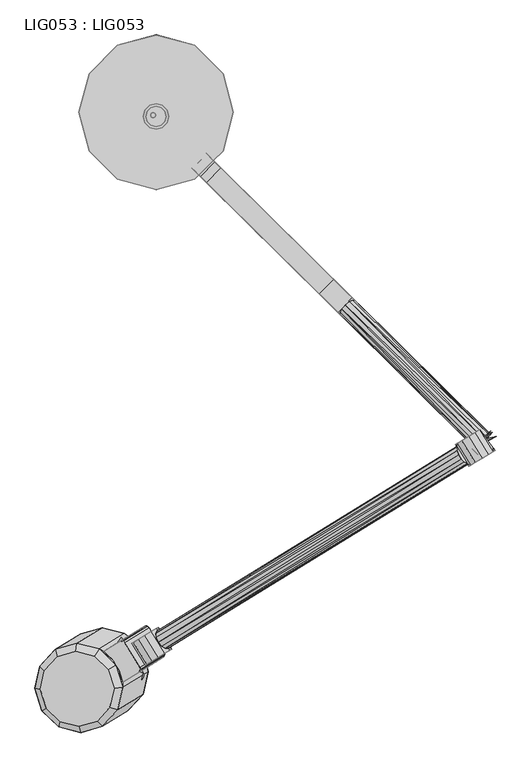
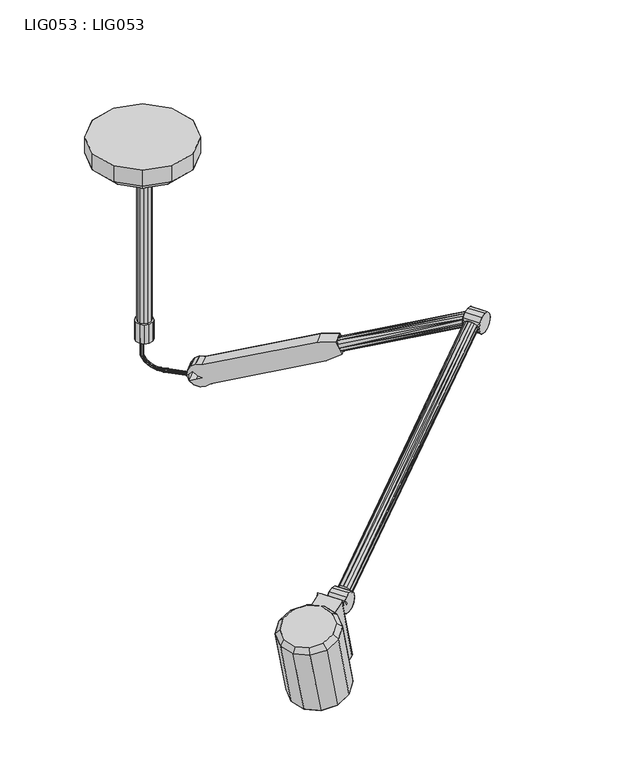
"""IFC4 building model written with IfcOpenShell, lengths in millimetres: proxy geometry, LIG053 : LIG053."""

from ifc_helpers import new_model, si_unit, origin, place, context, project, spatial, triangles, source, transform, mapped, element, save


def lig053_lig053_d3790e3a(model_context):
    return source(origin(), model_context, "Body", "Tessellation", [
        triangles([(-87.2400039, -1152.7100288, -800.1), (-211.1199969, -1154.1499846, -829.4000284), (-183.7800051, -1180.4799908, -826.7799849), (-222.2799989, -1117.8700043, -826.7799849), (-166.8300041, -1083.7800066, -1062.9700012), (-98.4699962, -1010.1699648, -1036.2999722), (-155.6700022, -1120.0599869, -1065.5899721), (-56.8099982, -1145.5600292, -1046.0599869), (-92.1499967, -1155.7299753, -1055.8300301), (-23.7799989, -1082.1200062, -1029.160001), (-31.7900001, -1118.6200312, -1036.2999722), (-34.9400009, -1045.8400259, -1026.5400301), (-62.2699983, -1019.4999912, -1029.160001), (-133.7999981, -1020.3399836, -1046.0599869), (-158.8300019, -1047.2700258, -1055.8300301), (-128.3300013, -1146.3899931, -1062.9700012), (-170.3400006, -1129.0800032, -1055.8099731), (-137.7999992, -1160.4299791, -1052.6999886), (-186.9099921, -1190.6199968, -843.4999672), (-219.4499936, -1159.2700209, -846.6100245), (-183.620004, -1085.8899796, -1052.6999886), (-232.7400072, -1116.0799973, -843.4999672), (-223.209993, -1072.6200047, -834.9900215), (-174.1000001, -1042.429987, -1044.1899702), (-21.8099997, -1051.7999819, -1006.1999926), (-26.6200009, -1040.7199896, -1009.3200056), (-34.3399989, -1031.4199759, -1006.1999926), (-13.3299997, -1083.9100132, -1012.4299902), (-143.83, -1201.7300018, -834.9900215), (-94.7199979, -1171.5399841, -1044.1899702), (-15.0699996, -1074.6999649, -1007.9299742), (-59.1499989, -1009.3700136, -1012.4299902), (-51.7299985, -1015.0700291, -1007.9299742), (-144.3000022, -1010.3599968, -1032.5699673), (-102.2299956, -998.2499802, -1020.9400085), (-22.8599992, -1127.3599773, -1020.9400085), (-52.6500004, -1159.439996, -1032.5699673), (18.33, -1045.9600041, -995.9299799), (16.2399999, -1055.4600056, -997.7999966), (-20.4200001, -995.8199686, -997.7999966), (-17.0599989, -994.9799763, -996.890023), (-11.0000002, -998.2499802, -995.9299799), (-13.6599998, -995.8600098, -996.2099773), (18.5100001, -1052.8400347, -996.890023), (19.2599998, -1049.399983, -996.2099773), (-29.200001, -1075.1800228, -793.4799826), (-81.870001, -1060.6399946, -803.7499952), (-69.3300007, -1081.0200007, -803.7499952), (-31.2899988, -1084.6800243, -795.3399708), (-6.7699998, -1005.4100082, -852.0899952), (-19.5499996, -1013.2699936, -856.110026), (-19.5499996, -1013.2699936, -796.1099819), (6.01, -997.5599787, -826.1099676), (2.5900001, -999.6599959, -841.1099968), (-6.7699998, -1005.4100082, -800.1300127), (-41.6799987, -1026.8799913, -841.1099968), (-45.099998, -1028.9800085, -826.1099676), (-32.3200004, -1021.129979, -852.0899952), (28.7700002, -1042.2600119, -841.1099968), (32.2000007, -1040.1499662, -826.1099676), (19.4199998, -1048.0100243, -852.0899952), (-15.4900003, -1069.4699789, -841.1099968), (-6.1399998, -1063.7199665, -852.0899952), (-6.1399998, -1063.7199665, -800.1300127), (-18.9200008, -1071.5800245, -826.1099676), (6.64, -1055.8599812, -856.110026), (10.64, -1003.4299692, -819.2699781), (17.69, -1007.690029, -825.5400169), (28.7799992, -1032.9400139, -819.2699781), (25.8099997, -1037.9200152, -810.6899786), (28.1599993, -1024.7299772, -825.5400169), (24.1000001, -1015.4899889, -827.8400219), (607.3400016, -677.1299734, -412.3399838), (606.9299975, -679.7599728, -407.8599884), (592.6899874, -649.4700338, -415.9000136), (589.3000053, -647.7899765, -412.3399838), (603.1400036, -659.5099733, -420.3999933), (606.7999909, -668.8700125, -418.4199906), (606.4500123, -680.9300322, -402.8000138), (607.3700143, -673.3499716, -415.9000136), (596.4299844, -651.9999666, -418.4199906), (586.7699999, -646.9699684, -407.8599884), (4.8600001, -1003.8399733, -810.6899786), (585.4999829, -646.8699745, -402.8000138), (593.7800008, -670.6900322, -382.6900131), (599.9500093, -676.6199755, -386.2799829), (586.4199849, -654.6200102, -386.2799829), (588.920014, -662.8000341, -382.6900131), (615.7900308, -651.649988, -399.3799828), (618.6500307, -654.4799751, -414.3800119), (626.4600191, -662.1999981, -373.3999915), (618.6500307, -654.4799751, -384.3799899), (586.1399875, -640.6099642, -414.3800119), (582.7199927, -642.7099814, -399.3799828), (595.4899981, -634.8600245, -425.3600103), (656.5900114, -655.9899847, -414.3800119), (660.0200346, -653.8800118, -399.3799828), (647.2400007, -661.7399971, -425.3600103), (608.9000081, -685.3099974, -399.3799828), (612.329995, -683.2000244, -414.3800119), (621.6800056, -677.450012, -373.3999915), (650.9700056, -616.1100061, -399.3799828), (647.450017, -619.6900202, -400.6400076), (646.5999962, -622.5700043, -390.1700071), (645.0000212, -630.8200094, -417.5200092), (661.6299654, -626.6600163, -425.3600103), (642.4799715, -635.4000351, -419.2700114), (626.1899774, -647.1299877, -414.7199985), (630.4299803, -645.5399685, -417.5200092), (656.5900114, -655.9899847, -384.3799899), (654.7800201, -648.1100151, -390.1700071), (630.3999676, -613.3899687, -384.3799899), (586.8100047, -647.9199831, -392.6899841), (621.6800056, -677.450012, -425.3600103), (606.0999973, -679.290016, -392.6899841), (622.200032, -647.2299816, -390.1700071), (626.4600191, -662.1999981, -425.3600103), (634.4599668, -669.5900267, -429.3800048), (608.2699957, -626.9999664, -429.3800048), (621.0500296, -619.1399811, -425.3600103), (647.1500353, -644.5999823, -417.5200092), (647.6199921, -620.4999998, -405.8699936), (656.5499702, -649.590012, -405.8699936), (647.3899916, -622.8999987, -410.7599931), (653.819977, -618.9399933, -414.3800119), (650.9099802, -647.1200319, -414.7199985), (654.2599937, -648.8000166, -410.7599931), (646.5499992, -626.5600224, -414.7199985), (639.1099737, -639.5499998, -419.8399984), (640.0599884, -636.8099781, -419.8399984), (634.9900217, -642.9699946, -419.2700114), (622.5399822, -648.019977, -410.7599931), (620.1399834, -648.2700344, -405.8699936), (619.3300037, -648.0999867, -400.6400076), (624.4400116, -641.6099758, -384.4299869), (641.0100031, -624.8599808, -384.4299869), (628.8800022, -635.2900127, -381.2899896), (634.7399643, -629.3700253, -381.2899896), (368.7399942, -371.9700027, -532.9700117), (364.6600107, -392.3000117, -560.7099973), (360.0699929, -391.5300006, -551.4700089), (371.7899897, -389.0599842, -567.4899977), (379.5500175, -382.6600115, -569.9600141), (388.2099904, -363.1000136, -551.4700089), (389.0299985, -367.6800029, -560.7099973), (385.8599885, -374.8499868, -567.4899977), (144.2199959, -121.6299961, -725.0199898), (104.0800042, -81.9100005, -724.6000299), (99.6800002, -77.5500013, -709.5399754), (128.0100024, -105.5800037, -669.5299902), (100.6000022, -78.4600021, -693.3200352), (106.6400041, -84.4299956, -679.4299673), (112.8499994, -90.5800018, -735.2200212), (335.3099853, -367.0300062, -598.2199897), (116.0799984, -150.0600013, -725.0199898), (75.9499988, -110.3399966, -724.6000299), (84.7100019, -119.0099979, -735.2200212), (72.4600002, -106.8899983, -693.3200352), (71.5499994, -105.9799975, -709.5399754), (99.8699959, -134.0099999, -669.5299902), (78.4999976, -112.8600009, -679.4299673), (86.1300006, -92.279998, -713.009967), (89.9000012, -89.6900034, -715.8199699), (83.5800018, -96.0800022, -715.8199699), (83.8499981, -95.2799965, -714.6799959), (84.4000008, -94.33, -713.7799782), (85.1899962, -93.3100041, -713.2100275), (87.1599977, -91.3200002, -713.2100275), (88.1700014, -90.5200036, -713.7900066), (89.1099968, -89.9599997, -714.6799959), (365.4799825, -396.8800011, -569.9600141), (393.6099878, -368.450014, -569.9600141), (376.4899936, -365.5699936, -535.4499839), (383.6300011, -362.3300024, -542.2199922), (382.809993, -357.7600052, -532.9700117), (88.9300023, -90.6799957, -721.9200336), (89.9100024, -89.6900034, -720.1800236), (83.5700006, -96.0900034, -720.1599667), (84.5399995, -95.1100033, -721.9100052), (85.9499971, -93.6900045, -722.8800041), (87.5199957, -92.1000035, -722.8800041), (83.2299959, -96.4400002, -717.9899683), (90.2599992, -89.3299963, -717.9999968), (-2.2500001, 1.29, -680.4700201), (-2.2500001, 1.29, -629.9999903), (0.0, 0.0, -629.9999903), (0.0, 0.0, -679.9999907), (-4.8399997, 1.27, -680.8099703), (-4.8399997, 1.27, -629.9999903), (-7.0700002, -0.0300001, -680.9300211), (-7.0700002, -0.0300001, -629.9999903), (-8.3399995, -4.8700002, -629.9999903), (-8.3599997, -2.28, -629.9999903), (-8.3599997, -2.28, -680.8099703), (-8.3399995, -4.8700002, -680.4700201), (-4.7899999, -8.3900002, -629.9999903), (-7.04, -7.1000001, -629.9999903), (-7.04, -7.1000001, -679.9999907), (-4.7899999, -8.3900002, -679.5300339), (0.0300001, -7.0699999, -629.9999903), (-2.2, -8.37, -629.9999903), (-2.2, -8.37, -679.190011), (0.0300001, -7.0699999, -679.0700329), (1.3200001, -4.8199998, -679.190011), (1.3200001, -4.8199998, -629.9999903), (1.3000001, -2.2299999, -679.5300339), (1.3000001, -2.2299999, -629.9999903), (-0.9799999, -9.5799995, -698.9600252), (0.32, -7.4300002, -699.2900196), (0.0100001, -14.0799997, -696.7799984), (-1.0900001, -12.1399995, -697.9900263), (1.9900001, -15.1400004, -695.579999), (4.5300001, -14.9800004, -694.6299843), (6.64, -13.65, -694.3100183), (7.9700003, -11.5299997, -694.6200285), (8.1200003, -8.9599997, -695.5699705), (2.4300001, -6.0600001, -698.9800095), (5.0100001, -5.88, -698.0299948), (16.1000001, -16.8599989, -711.6099798), (13.8199998, -17.3300011, -713.0699924), (16.6200004, -23.5200008, -705.9300213), (18.0300001, -21.4900011, -706.3999781), (43.7299996, -43.8100005, -716.0900116), (25.8200009, -25.5500004, -715.0299746), (30.7300005, -31.3500007, -714.580002), (10.1499999, -10.0499995, -701.5299992), (11.8000002, -18.7900001, -713.5299934), (10.4, -20.8399999, -713.030024), (9.9899999, -23.1000001, -711.5500271), (10.7400001, -24.7, -709.7100231), (14.5899996, -24.9399995, -706.420035), (43.8699983, -43.9499992, -719.9099819), (43.159999, -44.7799994, -721.5399696), (29.3299997, -29.960001, -719.2100246), (27.4299998, -30.8000002, -721.0000317), (25.520001, -32.38, -721.5699823), (23.9999993, -34.3, -720.9500347), (40.7300011, -47.3500006, -723.0100107), (39.3700005, -48.7, -722.6199909), (23.2099994, -36.1899987, -719.1399708), (38.18, -49.8100022, -721.5399696), (37.3699999, -50.5200015, -719.9099819), (23.4800002, -37.3000009, -716.8600227), (24.6100003, -37.5300014, -714.5900305), (12.3499996, -25.3899993, -707.8599907), (37.2299989, -50.3799983, -716.0900116), (37.9299994, -49.549998, -714.4699797), (26.480001, -36.7099978, -712.8200077), (28.3800009, -35.1599993, -712.2100159), (29.9200005, -33.2500005, -712.8000235), (40.3600018, -46.9800014, -713.009967), (41.7199979, -45.6399987, -713.3900311), (42.8999994, -44.530001, -714.4699797), (18.4699999, -19.2100009, -707.8500349), (44.0599986, -43.6099991, -717.9999968), (39.0300004, -48.3599998, -713.3900311), (37.0299998, -50.7199984, -717.9999968), (42.059998, -45.9700022, -722.6199909), (27.1700003, -5.89, -569.9999825), (23.8200003, 6.61, -569.9999825), (19.4900003, 4.1100001, -569.9999825), (22.1700011, -5.89, -569.9999825), (12.1700006, 11.4300002, -569.9999825), (14.6700002, 15.7599997, -569.9999825), (2.1700001, 19.1099996, -569.9999825), (2.1700001, 14.1100004, -569.9999825), (19.4900003, -15.89, -569.9999825), (23.8200003, -18.3899996, -569.9999825), (12.1700006, -23.2099997, -569.9999825), (14.6700002, -27.550001, -569.9999825), (2.1700001, -25.8900005, -569.9999825), (2.1700001, -30.8899997, -569.9999825), (-7.8300005, -23.2099997, -569.9999825), (-10.33, -27.550001, -569.9999825), (-15.1500002, -15.89, -569.9999825), (-19.4800002, -18.3899996, -569.9999825), (-17.830001, -5.89, -569.9999825), (-22.8300001, -5.89, -569.9999825), (-15.1500002, 4.1100001, -569.9999825), (-19.4800002, 6.61, -569.9999825), (-7.8300005, 11.4300002, -569.9999825), (-10.33, 15.7599997, -569.9999825), (23.8200003, 6.61, -629.9999903), (14.6700002, 15.7599997, -629.9999903), (23.8200003, -18.3899996, -629.9999903), (27.1700003, -5.89, -629.9999903), (2.1700001, -30.8899997, -629.9999903), (14.6700002, -27.550001, -629.9999903), (-19.4800002, -18.3899996, -629.9999903), (-10.33, -27.550001, -629.9999903), (-19.4800002, 6.61, -629.9999903), (-22.8300001, -5.89, -629.9999903), (2.1700001, 19.1099996, -629.9999903), (-10.33, 15.7599997, -629.9999903), (2.1700001, -0.8900001, -629.9999903), (-0.3300001, -1.56, -629.9999903), (7.1700003, -5.89, -629.9999903), (6.5000001, -3.3899999, -629.9999903), (6.5000001, -8.3900002, -629.9999903), (4.6700002, -10.2199995, -629.9999903), (2.1700001, -10.8899997, -629.9999903), (-0.3300001, -10.2199995, -629.9999903), (-2.8300002, -5.89, -629.9999903), (-2.16, -3.3899999, -629.9999903), (4.6700002, -1.56, -629.9999903), (-7.8300005, -23.2099997, -70.0000014), (2.1700001, -25.8900005, -70.0000014), (12.1700006, 11.4300002, -70.0000014), (2.1700001, 14.1100004, -70.0000014), (12.1700006, -23.2099997, -70.0000014), (19.4900003, 4.1100001, -70.0000014), (19.4900003, -15.89, -70.0000014), (22.1700011, -5.89, -70.0000014), (-15.1500002, -15.89, -70.0000014), (-17.830001, -5.89, -70.0000014), (-15.1500002, 4.1100001, -70.0000014), (-7.8300005, 11.4300002, -70.0000014), (67.1699978, -110.3800014, -70.0000014), (2.1700001, -127.7999955, -70.0000014), (-62.8299977, 114.7800014, -70.0000014), (2.1700001, 132.1999955, -70.0000014), (-62.8299977, -110.3800014, -70.0000014), (-110.4100014, 67.1999978, -70.0000014), (-110.4100014, -62.7999978, -70.0000014), (-127.8299955, 2.2, -70.0000014), (67.1699978, 114.7800014, -70.0000014), (114.7500015, -62.7999978, -70.0000014), (114.7500015, 67.1999978, -70.0000014), (132.1699956, 2.2, -70.0000014), (-127.7300016, 77.2000006, -50.0000004), (-72.8300005, 132.1000016, -50.0000004), (-127.7300016, -72.8000006, -50.0000004), (-147.8300011, 2.2, -50.0000004), (2.1700001, -147.8000012, -50.0000004), (-72.8300005, -127.7000017, -50.0000004), (132.0700017, -72.8000006, -50.0000004), (77.1700006, -127.7000017, -50.0000004), (132.0700017, 77.2000006, -50.0000004), (152.1700012, 2.2, -50.0000004), (2.1700001, 152.2000011, -50.0000004), (77.1700006, 132.1000016, -50.0000004), (-189.2500019, -1054.4299812, -809.8699705), (-214.2799966, -1081.3699793, -819.6299852), (-117.7300033, -1053.5899889, -792.9500004), (-153.9100079, -1044.2500067, -800.1), (-90.3900024, -1079.9300236, -790.3399853), (-79.2300005, -1116.2100039, -792.9500004), (-112.2599975, -1179.6500269, -809.8699705), (-147.6000006, -1189.819973, -819.6299852), (-101.7600025, -1189.6300137, -823.3599901), (-71.9700012, -1157.549995, -811.7399872), (-62.4400006, -1114.1000309, -803.2299688), (-75.7299961, -1070.9100073, -800.1199842), (-108.2699975, -1039.5600313, -803.2299688), (-151.3500079, -1028.4399979, -811.7399872), (-193.4099951, -1040.5500145, -823.3599901), (-99.2499994, -1044.2899752, -805.4700211), (-62.5900005, -1103.9199837, -805.4700211), (-64.5900011, -1024.199995, -794.4299973), (-67.9499977, -1025.0399874, -795.3399708), (-58.5300013, -1027.4699989, -793.4799826), (-22.9199996, -1085.3999659, -793.4799826), (-64.8200016, -1017.2499832, -793.4799826), (-98.150003, -1064.6300127, -808.1500174), (-61.1799985, -1025.0700001, -793.75998), (-22.6499989, -1095.2300345, -794.8400013), (-21.5799992, -1090.3200144, -793.8800308), (-25.8899991, -1098.9699951, -796.1399946), (-28.2599989, -1078.6200018, -793.75998), (-29.0199997, -1082.0599808, -794.4299973), (-32.3200004, -1021.129979, -800.1300127), (2.5900001, -999.6599959, -811.1100111), (-41.6799987, -1026.8799913, -811.1100111), (6.64, -1055.8599812, -796.1099819), (19.4199998, -1048.0100243, -800.1300127), (28.7700002, -1042.2600119, -811.1100111), (-15.4900003, -1069.4699789, -811.1100111), (1.8900001, -1008.8199745, -802.1099791), (20.0299996, -1038.3300192, -802.1099791), (2.5200001, -1017.0199827, -795.8299845), (12.9899996, -1034.0600037, -795.8299845), (6.5800001, -1026.2599711, -793.5299795), (586.1399875, -640.6099642, -384.3799899), (595.4899981, -634.8600245, -373.3999915), (630.3999676, -613.3899687, -414.3800119), (608.2699957, -626.9999664, -369.3799971), (621.0500296, -619.1399811, -373.3999915), (634.4599668, -669.5900267, -369.3799971), (647.2400007, -661.7399971, -373.3999915), (612.329995, -683.2000244, -384.3799899), (362.4299869, -379.7899832, -535.4499839), (359.2600133, -386.9600034, -542.2199922), (347.2399984, -322.5500177, -542.7299901), (363.4499828, -338.5999828, -598.2199897), (116.4800013, -94.1699989, -670.8799805), (124.0800007, -101.6899977, -739.1300297), (135.3499977, -112.8499997, -735.4599775), (95.9400032, -130.1200029, -739.1300297), (107.2100002, -141.2799958, -735.4599775), (319.1000009, -350.9800048, -542.7299901), (88.3400038, -122.6000041, -670.8799805), (354.6699955, -386.1899922, -532.9700117), (-127.7300016, -72.8000006, 0.0), (2.1700001, 152.2000011, 0.0), (-72.8300005, 132.1000016, 0.0), (132.0700017, -72.8000006, 0.0), (152.1700012, 2.2, 0.0), (132.0700017, 77.2000006, 0.0), (77.1700006, -127.7000017, 0.0), (2.1700001, -147.8000012, 0.0), (-147.8300011, 2.2, 0.0), (-127.7300016, 77.2000006, 0.0), (-72.8300005, -127.7000017, 0.0), (77.1700006, 132.1000016, 0.0)], [[1, 2, 3], [4, 2, 1], [5, 6, 7], [8, 9, 10], [11, 8, 10], [12, 10, 9], [13, 12, 9], [14, 6, 5], [15, 14, 5], [6, 13, 9], [6, 9, 16], [16, 7, 6], [17, 18, 19], [17, 19, 20], [21, 22, 23], [21, 23, 24], [25, 26, 27], [28, 26, 25], [22, 21, 17], [22, 17, 20], [29, 19, 18], [29, 18, 30], [31, 28, 25], [32, 27, 26], [33, 27, 32], [5, 7, 17], [5, 17, 21], [14, 15, 24], [14, 24, 34], [13, 6, 35], [13, 35, 32], [10, 12, 26], [10, 26, 28], [28, 36, 11], [28, 11, 10], [37, 8, 11], [37, 11, 36], [37, 30, 9], [37, 9, 8], [32, 26, 12], [32, 12, 13], [34, 35, 6], [34, 6, 14], [21, 24, 15], [21, 15, 5], [16, 9, 30], [16, 30, 18], [17, 7, 16], [17, 16, 18], [25, 27, 38], [25, 38, 39], [27, 40, 41], [27, 41, 42], [43, 42, 41], [31, 25, 39], [44, 39, 38], [45, 44, 38], [38, 27, 42], [46, 47, 48], [46, 48, 49], [50, 51, 52], [53, 54, 55], [56, 57, 58], [59, 60, 61], [62, 63, 64], [65, 62, 64], [63, 62, 56], [63, 56, 58], [58, 51, 66], [58, 66, 63], [50, 61, 66], [50, 66, 51], [50, 54, 59], [50, 59, 61], [57, 56, 62], [57, 62, 65], [67, 68, 69], [67, 69, 70], [71, 69, 68], [72, 71, 68], [69, 73, 74], [75, 67, 76], [71, 72, 77], [71, 77, 78], [68, 67, 75], [70, 69, 74], [79, 70, 74], [80, 73, 69], [71, 80, 69], [80, 71, 78], [68, 81, 77], [68, 77, 72], [81, 68, 75], [82, 76, 67], [83, 82, 67], [84, 82, 83], [85, 86, 87], [88, 85, 87], [89, 90, 91], [92, 89, 91], [93, 94, 95], [96, 97, 98], [99, 100, 101], [102, 103, 104], [105, 106, 107], [90, 108, 109], [110, 111, 112], [81, 95, 77], [84, 113, 94], [82, 84, 94], [76, 82, 93], [75, 76, 93], [81, 75, 93], [114, 77, 95], [78, 77, 114], [80, 78, 100], [73, 80, 100], [74, 73, 100], [79, 74, 99], [115, 79, 99], [89, 92, 116], [117, 90, 109], [118, 114, 95], [118, 95, 119], [95, 81, 93], [93, 82, 94], [99, 74, 100], [100, 78, 114], [120, 98, 118], [120, 118, 119], [96, 98, 121], [116, 92, 104], [122, 103, 102], [96, 123, 97], [124, 122, 125], [126, 127, 96], [128, 125, 105], [129, 107, 106], [120, 130, 98], [131, 129, 117], [131, 117, 109], [132, 108, 90], [133, 132, 90], [89, 133, 90], [134, 133, 89], [134, 89, 116], [135, 116, 136], [137, 135, 136], [138, 137, 136], [137, 138, 139], [140, 133, 141], [132, 133, 140], [108, 132, 140], [109, 108, 142], [131, 109, 142], [129, 131, 143], [107, 129, 143], [103, 122, 144], [144, 122, 145], [146, 107, 143], [143, 131, 142], [142, 108, 140], [134, 141, 133], [147, 148, 149], [147, 149, 144], [149, 150, 144], [151, 152, 150], [151, 150, 149], [153, 148, 147], [154, 141, 155], [156, 155, 141], [157, 155, 156], [158, 159, 160], [161, 158, 160], [157, 156, 148], [157, 148, 153], [149, 162, 158], [163, 156, 164], [163, 148, 156], [149, 148, 163], [151, 149, 158], [158, 161, 152], [158, 152, 151], [159, 158, 162], [159, 164, 156], [165, 164, 159], [166, 165, 159], [167, 166, 159], [167, 159, 162], [168, 162, 149], [169, 168, 149], [170, 169, 149], [170, 149, 163], [142, 140, 171], [143, 142, 171], [146, 143, 172], [145, 146, 172], [173, 174, 175], [139, 173, 175], [176, 177, 178], [176, 178, 179], [180, 181, 176], [180, 176, 179], [182, 178, 177], [182, 177, 183], [163, 164, 182], [163, 182, 183], [184, 185, 186], [184, 186, 187], [185, 184, 188], [185, 188, 189], [190, 191, 189], [190, 189, 188], [192, 193, 194], [192, 194, 195], [196, 197, 198], [196, 198, 199], [200, 201, 202], [200, 202, 203], [204, 205, 203], [205, 200, 203], [205, 204, 206], [205, 206, 207], [187, 186, 207], [187, 207, 206], [199, 202, 201], [199, 201, 196], [195, 198, 197], [195, 197, 192], [190, 194, 191], [194, 193, 191], [208, 194, 190], [208, 190, 209], [210, 198, 195], [210, 195, 211], [202, 199, 212], [202, 212, 213], [213, 214, 203], [213, 203, 202], [215, 216, 206], [215, 206, 204], [217, 218, 219], [217, 219, 220], [215, 214, 221], [215, 221, 222], [223, 224, 225], [226, 219, 218], [208, 209, 227], [208, 227, 228], [210, 211, 229], [210, 229, 230], [231, 221, 214], [231, 214, 213], [232, 233, 234], [235, 236, 227], [235, 227, 220], [237, 236, 238], [237, 238, 239], [237, 240, 229], [237, 229, 228], [241, 242, 240], [243, 244, 245], [243, 245, 230], [246, 247, 244], [213, 212, 245], [213, 245, 231], [248, 249, 221], [248, 221, 231], [250, 249, 251], [250, 251, 252], [253, 223, 225], [187, 226, 218], [184, 187, 218], [217, 188, 184], [217, 184, 218], [188, 217, 209], [188, 209, 190], [220, 227, 209], [220, 209, 217], [194, 208, 211], [194, 211, 195], [228, 229, 211], [228, 211, 208], [198, 210, 212], [198, 212, 199], [230, 245, 212], [230, 212, 210], [204, 203, 214], [204, 214, 215], [187, 206, 216], [226, 187, 216], [254, 225, 224], [250, 225, 254], [250, 254, 222], [216, 215, 222], [216, 222, 254], [254, 226, 216], [226, 254, 224], [255, 224, 223], [222, 221, 249], [222, 249, 250], [250, 253, 225], [253, 250, 252], [248, 256, 251], [248, 251, 249], [248, 244, 247], [231, 245, 244], [231, 244, 248], [256, 248, 247], [257, 243, 240], [257, 240, 242], [230, 229, 240], [230, 240, 243], [257, 246, 244], [257, 244, 243], [228, 227, 236], [228, 236, 237], [237, 241, 240], [241, 237, 239], [235, 258, 238], [235, 238, 236], [235, 234, 233], [220, 219, 234], [220, 234, 235], [258, 235, 233], [224, 219, 226], [224, 234, 219], [255, 232, 234], [255, 234, 224], [255, 223, 163], [255, 163, 183], [247, 246, 164], [247, 164, 165], [239, 179, 241], [180, 179, 239], [258, 181, 238], [176, 181, 258], [176, 233, 232], [176, 232, 177], [255, 183, 177], [255, 177, 232], [233, 176, 258], [180, 238, 181], [238, 180, 239], [242, 241, 179], [242, 179, 178], [167, 256, 166], [162, 251, 256], [162, 256, 167], [169, 252, 168], [253, 252, 169], [253, 170, 163], [253, 163, 223], [170, 253, 169], [162, 168, 252], [162, 252, 251], [247, 166, 256], [166, 247, 165], [257, 242, 178], [257, 178, 182], [164, 246, 257], [164, 257, 182], [259, 260, 261], [259, 261, 262], [263, 264, 265], [263, 265, 266], [267, 268, 259], [267, 259, 262], [268, 267, 269], [268, 269, 270], [271, 272, 270], [271, 270, 269], [271, 273, 274], [271, 274, 272], [275, 276, 274], [275, 274, 273], [276, 275, 277], [276, 277, 278], [279, 280, 278], [279, 278, 277], [279, 281, 282], [279, 282, 280], [266, 265, 282], [266, 282, 281], [264, 263, 261], [264, 261, 260], [283, 284, 264], [283, 264, 260], [285, 286, 259], [285, 259, 268], [287, 288, 270], [287, 270, 272], [289, 290, 274], [289, 274, 276], [291, 292, 278], [291, 278, 280], [293, 294, 282], [293, 282, 265], [280, 282, 294], [280, 294, 291], [276, 278, 292], [276, 292, 289], [272, 274, 290], [272, 290, 287], [268, 270, 288], [268, 288, 285], [260, 259, 286], [260, 286, 283], [265, 264, 284], [265, 284, 293], [294, 293, 295], [294, 295, 296], [297, 298, 283], [297, 283, 286], [286, 285, 299], [286, 299, 297], [288, 300, 299], [288, 299, 285], [288, 287, 301], [288, 301, 300], [290, 302, 301], [290, 301, 287], [290, 289, 201], [290, 201, 302], [292, 303, 201], [292, 201, 289], [292, 291, 304], [292, 304, 303], [294, 296, 304], [294, 304, 291], [284, 305, 295], [284, 295, 293], [305, 284, 283], [305, 283, 298], [306, 307, 308], [306, 308, 309], [310, 311, 308], [310, 308, 307], [312, 313, 311], [310, 312, 311], [314, 306, 309], [315, 314, 309], [316, 315, 309], [317, 316, 309], [281, 317, 309], [281, 309, 266], [308, 263, 266], [308, 266, 309], [263, 308, 311], [263, 311, 261], [313, 262, 261], [313, 261, 311], [262, 313, 312], [262, 312, 267], [310, 269, 267], [310, 267, 312], [269, 310, 307], [269, 307, 271], [306, 273, 271], [306, 271, 307], [273, 306, 314], [273, 314, 275], [315, 277, 275], [315, 275, 314], [277, 315, 316], [277, 316, 279], [317, 281, 279], [317, 279, 316], [318, 319, 320], [318, 320, 321], [322, 323, 320], [322, 320, 319], [324, 325, 323], [322, 324, 323], [326, 327, 318], [326, 318, 321], [328, 329, 327], [326, 328, 327], [330, 331, 320], [330, 320, 323], [332, 333, 325], [332, 325, 324], [334, 335, 322], [334, 322, 319], [336, 337, 318], [336, 318, 327], [338, 339, 329], [338, 329, 328], [340, 341, 326], [340, 326, 321], [328, 326, 338], [326, 341, 338], [327, 329, 336], [329, 339, 336], [319, 318, 334], [318, 337, 334], [324, 322, 332], [322, 335, 332], [323, 325, 330], [325, 333, 330], [321, 320, 340], [320, 331, 340], [342, 343, 344], [345, 342, 344], [346, 344, 343], [347, 346, 343], [348, 1, 3], [349, 348, 3], [1, 347, 343], [1, 343, 4], [349, 3, 19], [349, 19, 29], [350, 348, 349], [350, 349, 29], [347, 1, 351], [347, 351, 352], [353, 346, 347], [353, 347, 352], [345, 344, 354], [345, 354, 355], [343, 342, 356], [343, 356, 23], [2, 4, 22], [2, 22, 20], [23, 22, 4], [23, 4, 343], [355, 356, 342], [355, 342, 345], [353, 354, 344], [353, 344, 346], [350, 351, 1], [350, 1, 348], [20, 19, 3], [20, 3, 2], [33, 32, 354], [33, 354, 357], [48, 352, 358], [47, 357, 354], [356, 34, 24], [356, 24, 23], [34, 356, 355], [34, 355, 35], [354, 32, 35], [354, 35, 355], [30, 37, 350], [30, 350, 29], [351, 350, 37], [351, 37, 36], [353, 352, 48], [353, 47, 354], [47, 353, 48], [352, 351, 36], [352, 36, 28], [31, 358, 352], [31, 352, 28], [33, 40, 27], [359, 360, 47], [359, 47, 361], [362, 363, 364], [357, 47, 360], [365, 359, 361], [49, 48, 358], [366, 367, 362], [366, 362, 368], [46, 38, 361], [38, 42, 361], [43, 41, 359], [43, 359, 365], [365, 361, 42], [365, 42, 43], [360, 359, 40], [359, 41, 40], [360, 40, 33], [360, 33, 357], [358, 31, 39], [358, 39, 49], [38, 46, 369], [38, 369, 45], [370, 44, 45], [370, 45, 369], [49, 39, 370], [39, 44, 370], [51, 58, 371], [51, 371, 52], [55, 54, 50], [55, 50, 52], [372, 53, 55], [373, 371, 58], [57, 373, 58], [374, 64, 63], [374, 63, 66], [375, 374, 66], [61, 376, 375], [61, 375, 66], [60, 376, 61], [377, 65, 64], [60, 59, 54], [60, 54, 53], [375, 376, 372], [375, 372, 55], [52, 374, 375], [52, 375, 55], [377, 64, 371], [377, 371, 373], [373, 57, 65], [373, 65, 377], [52, 371, 64], [52, 64, 374], [53, 372, 376], [53, 376, 60], [378, 83, 379], [380, 378, 379], [381, 382, 380], [381, 380, 379], [67, 70, 83], [70, 379, 83], [86, 379, 115], [381, 379, 86], [88, 382, 85], [380, 382, 88], [113, 378, 87], [84, 83, 378], [84, 378, 113], [380, 87, 378], [87, 380, 88], [381, 85, 382], [85, 381, 86], [79, 115, 379], [79, 379, 70], [115, 113, 87], [115, 87, 86], [119, 95, 383], [119, 383, 384], [385, 120, 386], [385, 386, 387], [384, 386, 120], [384, 120, 119], [94, 383, 95], [388, 101, 114], [101, 100, 114], [110, 389, 118], [110, 118, 98], [97, 110, 98], [114, 118, 389], [114, 389, 388], [390, 99, 101], [113, 115, 383], [115, 390, 383], [387, 389, 110], [387, 110, 112], [94, 113, 383], [101, 384, 390], [384, 383, 390], [384, 101, 388], [384, 388, 386], [389, 387, 386], [389, 386, 388], [97, 111, 110], [390, 115, 99], [104, 136, 116], [144, 174, 104], [144, 104, 103], [139, 138, 173], [116, 135, 391], [116, 391, 392], [141, 134, 116], [141, 116, 392], [105, 107, 146], [128, 105, 146], [124, 128, 145], [122, 124, 145], [173, 136, 104], [173, 104, 174], [145, 128, 146], [137, 391, 135], [391, 137, 139], [136, 173, 138], [393, 144, 150], [144, 172, 394], [175, 144, 393], [152, 395, 150], [147, 144, 394], [396, 153, 147], [397, 396, 147], [171, 141, 154], [398, 399, 155], [157, 398, 155], [160, 141, 400], [401, 161, 160], [402, 400, 141], [396, 397, 399], [396, 399, 398], [395, 152, 161], [395, 161, 401], [401, 160, 150], [401, 150, 395], [398, 157, 153], [398, 153, 396], [155, 399, 397], [155, 397, 147], [155, 147, 394], [155, 394, 154], [154, 394, 172], [154, 172, 143], [171, 154, 143], [402, 139, 400], [139, 393, 400], [175, 393, 139], [400, 393, 150], [400, 150, 160], [140, 141, 171], [144, 145, 172], [174, 144, 175], [391, 139, 402], [392, 391, 402], [141, 392, 402], [403, 404, 405], [406, 407, 408], [409, 406, 408], [410, 409, 408], [411, 403, 405], [412, 411, 405], [413, 410, 408], [413, 408, 414], [404, 403, 413], [404, 413, 414], [336, 339, 407], [336, 407, 406], [335, 334, 410], [335, 410, 413], [404, 414, 341], [404, 341, 340], [408, 338, 341], [408, 341, 414], [409, 337, 336], [409, 336, 406], [333, 332, 403], [333, 403, 411], [331, 330, 412], [331, 412, 405], [405, 404, 340], [405, 340, 331], [411, 412, 330], [411, 330, 333], [413, 403, 332], [413, 332, 335], [337, 409, 410], [337, 410, 334], [338, 408, 407], [338, 407, 339]], closed=False),
    ])


if __name__ == "__main__":
    model = new_model("IFC4")
    model_context = context("Model", 3, world=origin())
    ifc_project = project(units=[si_unit("LENGTHUNIT", "METRE", prefix="MILLI")], contexts=[model_context])
    site = spatial("IfcSite", under=ifc_project)
    building = spatial("IfcBuilding", under=site)
    placement = place(None, origin())
    lig053_lig053_shape = lig053_lig053_d3790e3a(model_context)
    element("IfcBuildingElementProxy", 1, Name="LIG053 : LIG053", ObjectType="LIG053 : LIG053", at=placement, inside=building, context=model_context, shape_type="MappedRepresentation", body=[
        mapped(lig053_lig053_shape, transform((0.0, 0.0, 0.0), x_axis=(1.0, 0.0, 0.0), y_axis=(0.0, 1.0, 0.0), z_axis=(0.0, 0.0, 1.0))),
    ])
    save(model, "model.ifc")
